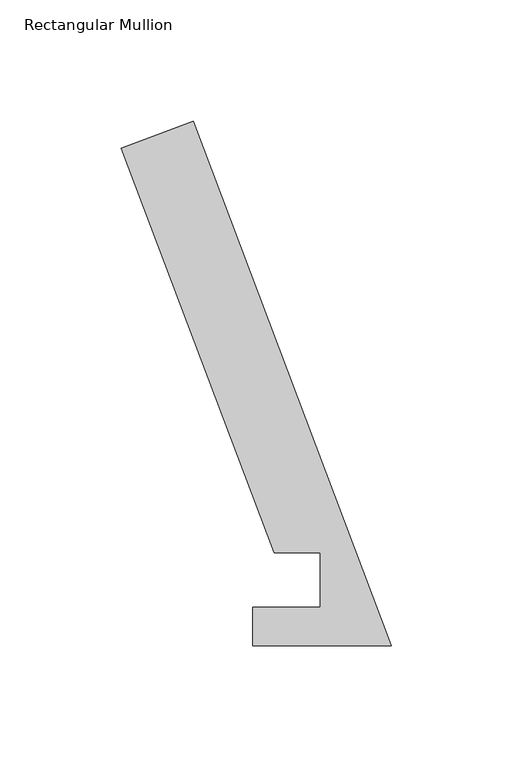
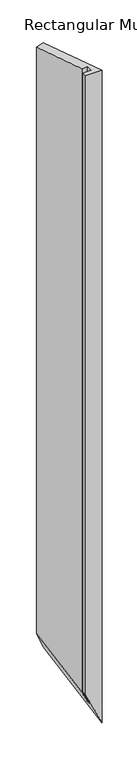
"""IFC4 building model written with IfcOpenShell, lengths in millimetres: member geometry, Rectangular Mullion."""

import ifcopenshell
import ifcopenshell.guid

model = None  # the IFC model being written
_history = None  # IfcOwnerHistory: only IFC2X3 demands one
_inside = {}  # id of a spatial element -> (the spatial element, [elements in it])
_under = {}  # id of a project, library or spatial element -> (it, [spatial elements below it])
_declared = {}  # id of a project -> (the project, [libraries it declares])
_typed = {}  # id of a type object -> (the type object, [elements of that type])
_made_of = {}  # id of a material, layer set ... -> (it, [elements and type objects made of it])


def new_model(schema):
    """Start an empty IFC model of exactly this schema.

    Asked for "IFC4X3", IfcOpenShell would pick the latest addendum, in which some entities
    have other attributes; the version numbers below select the first issue.
    IFC2X3 requires an IfcOwnerHistory on every rooted entity: one is made here for all.
    """
    global model, _history
    if schema == "IFC4X3":
        model = ifcopenshell.file(schema_version=(4, 3, 0, 0))
    else:
        model = ifcopenshell.file(schema=schema)
    _inside.clear()
    _under.clear()
    _declared.clear()
    _typed.clear()
    _made_of.clear()
    _history = None
    if model.schema == "IFC2X3":
        org = make("IfcOrganization", Name="unknown")
        user = make(
            "IfcPersonAndOrganization",
            ThePerson=make("IfcPerson", FamilyName="unknown"),
            TheOrganization=org,
        )
        app = make(
            "IfcApplication",
            ApplicationDeveloper=org,
            Version="unknown",
            ApplicationFullName="unknown",
            ApplicationIdentifier="unknown",
        )
        _history = make(
            "IfcOwnerHistory",
            OwningUser=user,
            OwningApplication=app,
            ChangeAction="ADDED",
            CreationDate=0,
        )
    return model


def make(cls, **values):
    """One entity of the class cls with the attributes given. An attribute that is None is left unset."""
    return model.create_entity(
        cls, **{name: value for name, value in values.items() if value is not None}
    )


def rooted(cls, **values):
    """An entity with a GlobalId (a new one), such as an element, a storey or a relation."""
    return make(cls, GlobalId=ifcopenshell.guid.new(), OwnerHistory=_history, **values)


def si_unit(unit_type, name, prefix=None):
    """IfcSIUnit, for example si_unit("LENGTHUNIT", "METRE", prefix="MILLI")."""
    return make("IfcSIUnit", UnitType=unit_type, Prefix=prefix, Name=name)


def assignment(units):
    """IfcUnitAssignment: the units of a project."""
    return None if units is None else make("IfcUnitAssignment", Units=units)


def point(xyz):
    """IfcCartesianPoint."""
    return None if xyz is None else make("IfcCartesianPoint", Coordinates=xyz)


def direction(xyz):
    """IfcDirection."""
    return None if xyz is None else make("IfcDirection", DirectionRatios=xyz)


def frame(location, z_axis=None, x_axis=None):
    """IfcAxis2Placement3D, a coordinate frame: its origin and axes. An axis left out is left unset."""
    return make(
        "IfcAxis2Placement3D",
        Location=point(location),
        Axis=direction(z_axis),
        RefDirection=direction(x_axis),
    )


def origin():
    """The frame at (0, 0, 0) with its axes left unset."""
    return frame((0.0, 0.0, 0.0))


def place(relative_to, where):
    """IfcLocalPlacement: puts the frame where relative to a parent placement (None: the world)."""
    return make(
        "IfcLocalPlacement", PlacementRelTo=relative_to, RelativePlacement=where
    )


def context(
    kind, dimensions, precision=None, world=None, true_north=None, identifier=None
):
    """IfcGeometricRepresentationContext, for example the 3D "Model" context."""
    return make(
        "IfcGeometricRepresentationContext",
        ContextIdentifier=identifier,
        ContextType=kind,
        CoordinateSpaceDimension=dimensions,
        Precision=precision,
        WorldCoordinateSystem=world,
        TrueNorth=true_north,
    )


def project(units=None, contexts=None):
    """IfcProject with its units and contexts."""
    return rooted(
        "IfcProject",
        Name="project",
        RepresentationContexts=contexts,
        UnitsInContext=assignment(units),
    )


def spatial(cls, under=None, at=None, **own):
    """A site, building, storey or space (cls), placed at a placement, below another one or the project."""
    s = rooted(cls, ObjectPlacement=at, **own)
    if under is not None:
        _under.setdefault(under.id(), (under, []))[1].append(s)
    return s


def faces_of(points, faces, orient=None, outer=None):
    """IfcFace entities. A face is a list of loops; a loop is a list of indices into points, from 0.

    orient and outer hold one flag for each loop. By default every Orientation is true, the
    first loop of a face is its IfcFaceOuterBound and the others are IfcFaceBound.
    """
    made = []
    for i, loops in enumerate(faces):
        bounds = []
        for j, loop in enumerate(loops):
            is_outer = j == 0 if outer is None else outer[i][j]
            bounds.append(
                make(
                    "IfcFaceOuterBound" if is_outer else "IfcFaceBound",
                    Bound=make("IfcPolyLoop", Polygon=[points[k] for k in loop]),
                    Orientation=True if orient is None else orient[i][j],
                )
            )
        made.append(make("IfcFace", Bounds=bounds))
    return made


def faceted_brep(points, faces, orient=None, outer=None, voids=None):
    """IfcFacetedBrep: a solid bounded by flat faces; with voids (closed shells), ...WithVoids."""
    shared = [point(p) for p in points]
    hull = make("IfcClosedShell", CfsFaces=faces_of(shared, faces, orient, outer))
    if voids is None:
        return make("IfcFacetedBrep", Outer=hull)
    return make(
        "IfcFacetedBrepWithVoids",
        Outer=hull,
        Voids=[
            make(cls, CfsFaces=faces_of(shared, fs, o, b)) for cls, fs, o, b in voids
        ],
    )


def shape(context_of_items, identifier, shape_type, items):
    """IfcShapeRepresentation: the items that make up one representation, for example the "Body"."""
    return make(
        "IfcShapeRepresentation",
        ContextOfItems=context_of_items,
        RepresentationIdentifier=identifier,
        RepresentationType=shape_type,
        Items=items,
    )


def source(mapping_origin, context_of_items, identifier, shape_type, items):
    """IfcRepresentationMap: a shape defined once, which mapped items show again and again."""
    return make(
        "IfcRepresentationMap",
        MappingOrigin=mapping_origin,
        MappedRepresentation=shape(context_of_items, identifier, shape_type, items),
    )


def transform(
    local_origin,
    x_axis=None,
    y_axis=None,
    z_axis=None,
    scale=None,
    scale2=None,
    scale3=None,
    uniform=True,
):
    """IfcCartesianTransformationOperator3D, or its non-uniform kind. x_axis, y_axis, z_axis: its Axis1, 2, 3."""
    if uniform:
        return make(
            "IfcCartesianTransformationOperator3D",
            Axis1=direction(x_axis),
            Axis2=direction(y_axis),
            LocalOrigin=point(local_origin),
            Scale=scale,
            Axis3=direction(z_axis),
        )
    return make(
        "IfcCartesianTransformationOperator3DnonUniform",
        Axis1=direction(x_axis),
        Axis2=direction(y_axis),
        LocalOrigin=point(local_origin),
        Scale=scale,
        Axis3=direction(z_axis),
        Scale2=scale2,
        Scale3=scale3,
    )


def mapped(mapping_source, mapping_target):
    """IfcMappedItem: shows the shape of a source again, moved by a transform."""
    return make(
        "IfcMappedItem", MappingSource=mapping_source, MappingTarget=mapping_target
    )


def made_of(thing, what):
    """Note that an element or type object is made of a material, layer set ...; save() writes the relation."""
    if what is not None:
        _made_of.setdefault(what.id(), (what, []))[1].append(thing)
    return thing


def element(
    cls,
    number,
    at=None,
    inside=None,
    cuts=None,
    type_object=None,
    material=None,
    context=None,
    identifier="Body",
    shape_type=None,
    held_by="IfcProductDefinitionShape",
    body=None,
    shapes=None,
    **own,
):
    """One element of the class cls, such as IfcWall. Its Tag is "e" and its number.

    at: its placement. inside: the storey or other place that contains it. cuts: it is an
    opening in that element (IfcRelVoidsElement). A single representation is given by context,
    identifier, shape_type and body (its items); several are given by shapes. held_by: the class
    of the entity that holds the representations. save() writes the other relations.
    """
    e = rooted(cls, Tag="e%d" % number, ObjectPlacement=at, **own)
    if body is not None:
        shapes = [shape(context, identifier, shape_type, body)]
    if shapes is not None:
        e.Representation = make(held_by, Representations=shapes)
    if inside is not None:
        _inside.setdefault(inside.id(), (inside, []))[1].append(e)
    if cuts is not None:
        rooted(
            "IfcRelVoidsElement", RelatingBuildingElement=cuts, RelatedOpeningElement=e
        )
    if type_object is not None:
        _typed.setdefault(type_object.id(), (type_object, []))[1].append(e)
    return made_of(e, material)


def aggregate(whole, parts):
    """IfcRelAggregates: a whole, such as a stair, and the parts it consists of."""
    return rooted("IfcRelAggregates", RelatingObject=whole, RelatedObjects=parts)


def save(model, path):
    """Write the relations noted so far, then the file.

    IfcRelAggregates (storeys below a building ...), IfcRelContainedInSpatialStructure (elements
    in a storey), IfcRelDefinesByType, IfcRelAssociatesMaterial and IfcRelDeclares: one each for
    every whole, place, type object, material and project.
    """
    for whole, parts in _under.values():
        aggregate(whole, parts)
    for where, things in _inside.values():
        rooted(
            "IfcRelContainedInSpatialStructure",
            RelatedElements=things,
            RelatingStructure=where,
        )
    for kind, things in _typed.values():
        rooted("IfcRelDefinesByType", RelatedObjects=things, RelatingType=kind)
    for what, things in _made_of.values():
        rooted("IfcRelAssociatesMaterial", RelatedObjects=things, RelatingMaterial=what)
    for by, libraries in _declared.values():
        rooted("IfcRelDeclares", RelatingContext=by, RelatedDefinitions=libraries)
    model.write(path)


def rectangular_mullion_ab01d05b(model_context):
    return source(origin(), model_context, "Body", "Brep", [
        faceted_brep([(-48.4216661, 38.2984375, 0.0), (-111.4156088, 205.0070695, 0.0), (-111.4156088, 205.0070695, -2175.3972548), (-48.4216661, 38.2984375, -2313.2847626), (-29.3735907, 38.2984375, 0.0), (-29.3735907, 38.2984375, -2354.9791151), (-29.3735907, 15.8114626, 0.0), (-29.3735907, 15.8114626, -2354.9791151), (-57.277, 15.8114626, 0.0), (-57.277, 15.8114626, -2293.9013129), (-57.277, -0.0635374, 0.0), (-57.277, -0.0635374, -2293.9013129), (0.0, -0.0635374, 0.0), (0.0, -0.0635374, -2419.2749988), (-81.7285764, 216.2248642, 0.0), (-81.7285764, 216.2248642, -2240.3792313)], [[[0, 1, 2, 3]], [[4, 0, 3, 5]], [[6, 4, 5, 7]], [[8, 6, 7, 9]], [[10, 8, 9, 11]], [[12, 10, 11, 13]], [[14, 12, 13, 15]], [[1, 14, 15, 2]], [[1, 0, 4, 6, 8, 10, 12, 14]], [[2, 15, 13, 11, 9, 7, 5, 3]]]),
    ])


if __name__ == "__main__":
    model = new_model("IFC4")
    model_context = context("Model", 3, world=origin())
    ifc_project = project(units=[si_unit("LENGTHUNIT", "METRE", prefix="MILLI")], contexts=[model_context])
    site = spatial("IfcSite", under=ifc_project)
    building = spatial("IfcBuilding", under=site)
    placement = place(None, origin())
    rectangular_mullion_shape = rectangular_mullion_ab01d05b(model_context)
    element("IfcMember", 1, ObjectType="Rectangular Mullion", at=placement, inside=building, context=model_context, shape_type="MappedRepresentation", body=[
        mapped(rectangular_mullion_shape, transform((0.0, 0.0, 0.0), x_axis=(1.0, 0.0, 0.0), y_axis=(0.0, 1.0, 0.0), z_axis=(0.0, 0.0, 1.0))),
    ])
    save(model, "model.ifc")
